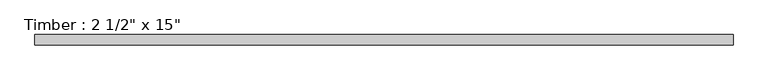
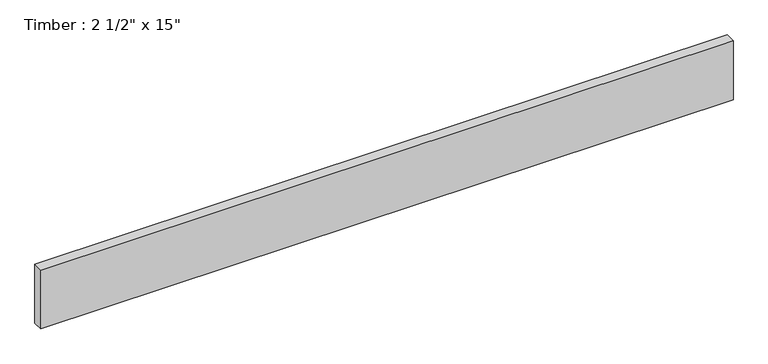
"""IFC4 building model written with IfcOpenShell, lengths in millimetres: beam geometry."""

from ifc_helpers import new_model, si_unit, frame, origin, place, context, project, spatial, polyline, outline, extrude, source, transform, mapped, element, save


def beam_96471f28(model_context):
    return source(origin(), model_context, "Body", "SweptSolid", [
        extrude(outline(polyline([(2117.2109578, 31.75), (2117.2109578, -31.75), (-2117.2109578, -31.75), (-2117.2109578, 31.75), (2117.2109578, 31.75)])), frame((0.0, 0.0, -190.5), z_axis=(0.0, 0.0, 1.0), x_axis=(1.0, 0.0, 0.0)), (0.0, 0.0, 1.0), 381.0),
    ])


if __name__ == "__main__":
    model = new_model("IFC4")
    model_context = context("Model", 3, world=origin())
    ifc_project = project(units=[si_unit("LENGTHUNIT", "METRE", prefix="MILLI")], contexts=[model_context])
    site = spatial("IfcSite", under=ifc_project)
    building = spatial("IfcBuilding", under=site)
    placement = place(None, origin())
    beam_shape = beam_96471f28(model_context)
    element("IfcBeam", 1, ObjectType="Timber : 2 1/2\" x 15\"", at=placement, inside=building, context=model_context, shape_type="MappedRepresentation", body=[
        mapped(beam_shape, transform((0.0, 0.0, 0.0), x_axis=(1.0, 0.0, 0.0), y_axis=(0.0, 1.0, 0.0), z_axis=(0.0, 0.0, 1.0))),
    ])
    save(model, "model.ifc")
